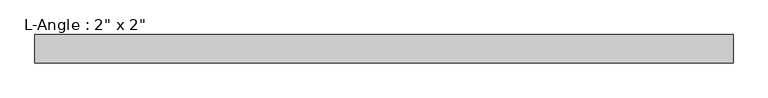
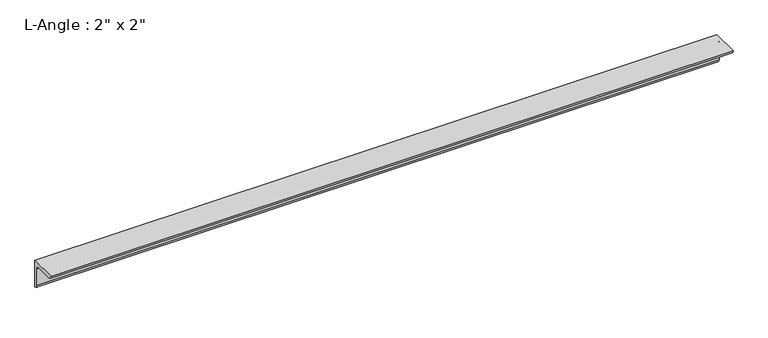
"""IFC4 building model written with IfcOpenShell, lengths in millimetres: beam geometry."""

from ifc_helpers import new_model, si_unit, point, frame, frame_2d, origin, place, context, project, spatial, polyline, circle_curve, trimmed, segment, composite_curve, outline, extrude, source, transform, mapped, element, save


def beam_055a16fb(model_context):
    return source(origin(), model_context, "Body", "SweptSolid", [
        extrude(outline(composite_curve([segment(polyline([(0.0, 0.0), (0.0, -50.8)]), True, "CONTINUOUS"), segment(trimmed(circle_curve(frame_2d((0.0, -44.45)), 6.35), [point((0.0, -50.8))], [point((-6.35, -44.45))], False, "CARTESIAN"), True, "CONTINUOUS"), segment(polyline([(-6.35, -44.45), (-6.35, -12.7)]), True, "CONTINUOUS"), segment(trimmed(circle_curve(frame_2d((-12.7, -12.7)), 6.35), [point((-6.35, -12.7))], [point((-12.7, -6.35))], True, "CARTESIAN"), True, "CONTINUOUS"), segment(polyline([(-12.7, -6.35), (-44.45, -6.35)]), True, "CONTINUOUS"), segment(trimmed(circle_curve(frame_2d((-44.45, 0.0)), 6.35), [point((-44.45, -6.35))], [point((-50.8, 0.0))], False, "CARTESIAN"), True, "CONTINUOUS"), segment(polyline([(-50.8, 0.0), (0.0, 0.0)]), True, "CONTINUOUS")], self_intersect=False)), frame((-621.1884804, 0.0, 0.0), z_axis=(1.0, 0.0, 0.0), x_axis=(0.0, 1.0, 0.0)), (0.0, 0.0, 1.0), 1242.3769609),
    ])


if __name__ == "__main__":
    model = new_model("IFC4")
    model_context = context("Model", 3, world=origin())
    ifc_project = project(units=[si_unit("LENGTHUNIT", "METRE", prefix="MILLI")], contexts=[model_context])
    site = spatial("IfcSite", under=ifc_project)
    building = spatial("IfcBuilding", under=site)
    placement = place(None, origin())
    beam_shape = beam_055a16fb(model_context)
    element("IfcBeam", 1, ObjectType="L-Angle : 2\" x 2\"", at=placement, inside=building, context=model_context, shape_type="MappedRepresentation", body=[
        mapped(beam_shape, transform((0.0, 0.0, 0.0), x_axis=(1.0, 0.0, 0.0), y_axis=(0.0, 1.0, 0.0), z_axis=(0.0, 0.0, 1.0))),
    ])
    save(model, "model.ifc")
